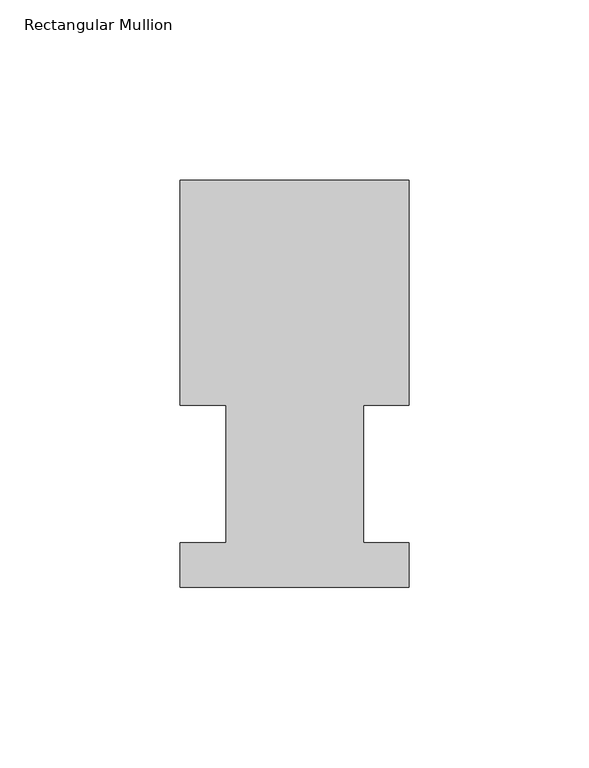
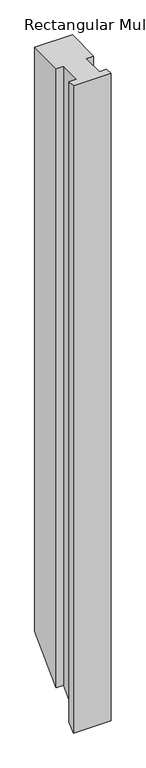
"""IFC4 building model written with IfcOpenShell, lengths in millimetres: member geometry, Rectangular Mullion."""

from ifc_helpers import new_model, si_unit, origin, place, context, project, spatial, faceted_brep, source, transform, mapped, element, save


def rectangular_mullion_34ff8b79(model_context):
    return source(origin(), model_context, "Body", "Brep", [
        faceted_brep([(-63.5368106, 52.5859375, 0.0), (-50.7405803, 52.5859375, 0.0), (-50.7405803, 14.4859413, 0.0), (-63.5, 14.4859413, 0.0), (-63.5, 2.1909696, 0.0), (0.0, 2.1909696, 0.0), (0.0, 14.4858895, 0.0), (-12.602764, 14.4858895, 0.0), (-12.602764, 52.5859375, 0.0), (0.0, 52.5859375, 0.0), (0.0, 115.0699375, 0.0), (-63.5368106, 115.0699375, 0.0), (-63.5368106, 52.5859375, -1104.5697696), (-50.7405803, 52.5859375, -1104.5697696), (-50.7405803, 14.4859413, -1142.6697657), (-63.5, 14.4859413, -1142.6697657), (-63.5, 2.1909696, -1154.9647375), (0.0, 2.1909696, -1154.9647375), (0.0, 14.4858895, -1142.6698176), (-12.602764, 14.4858895, -1142.6698176), (-12.602764, 52.5859375, -1104.5697696), (0.0, 52.5859375, -1104.5697696), (0.0, 115.0699375, -1042.0857696), (-63.5368106, 115.0699375, -1042.0857696)], [[[0, 1, 2, 3, 4, 5, 6, 7, 8, 9, 10, 11]], [[1, 0, 12, 13]], [[2, 1, 13, 14]], [[3, 2, 14, 15]], [[4, 3, 15, 16]], [[5, 4, 16, 17]], [[6, 5, 17, 18]], [[7, 6, 18, 19]], [[8, 7, 19, 20]], [[9, 8, 20, 21]], [[10, 9, 21, 22]], [[11, 10, 22, 23]], [[0, 11, 23, 12]], [[12, 23, 22, 21, 20, 19, 18, 17, 16, 15, 14, 13]]]),
    ])


if __name__ == "__main__":
    model = new_model("IFC4")
    model_context = context("Model", 3, world=origin())
    ifc_project = project(units=[si_unit("LENGTHUNIT", "METRE", prefix="MILLI")], contexts=[model_context])
    site = spatial("IfcSite", under=ifc_project)
    building = spatial("IfcBuilding", under=site)
    placement = place(None, origin())
    rectangular_mullion_shape = rectangular_mullion_34ff8b79(model_context)
    element("IfcMember", 1, ObjectType="Rectangular Mullion", at=placement, inside=building, context=model_context, shape_type="MappedRepresentation", body=[
        mapped(rectangular_mullion_shape, transform((0.0, 0.0, 0.0), x_axis=(1.0, 0.0, 0.0), y_axis=(0.0, 1.0, 0.0), z_axis=(0.0, 0.0, 1.0))),
    ])
    save(model, "model.ifc")
